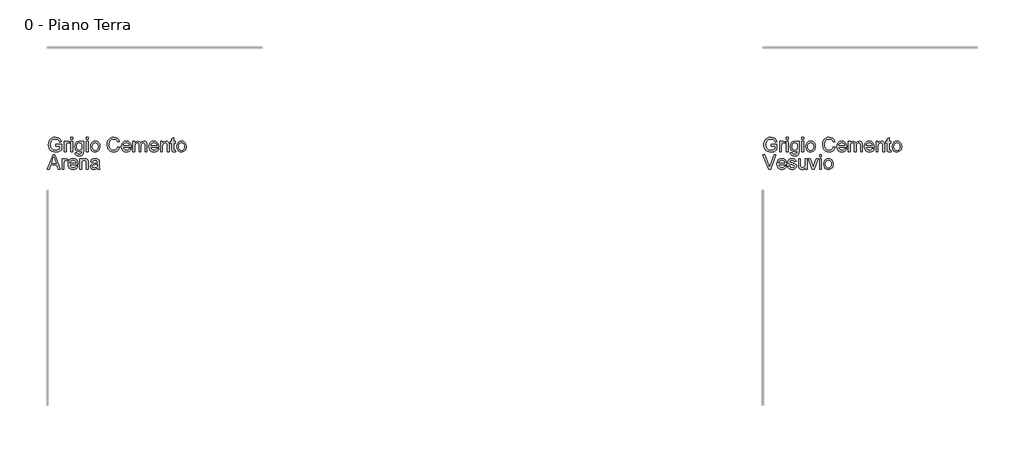
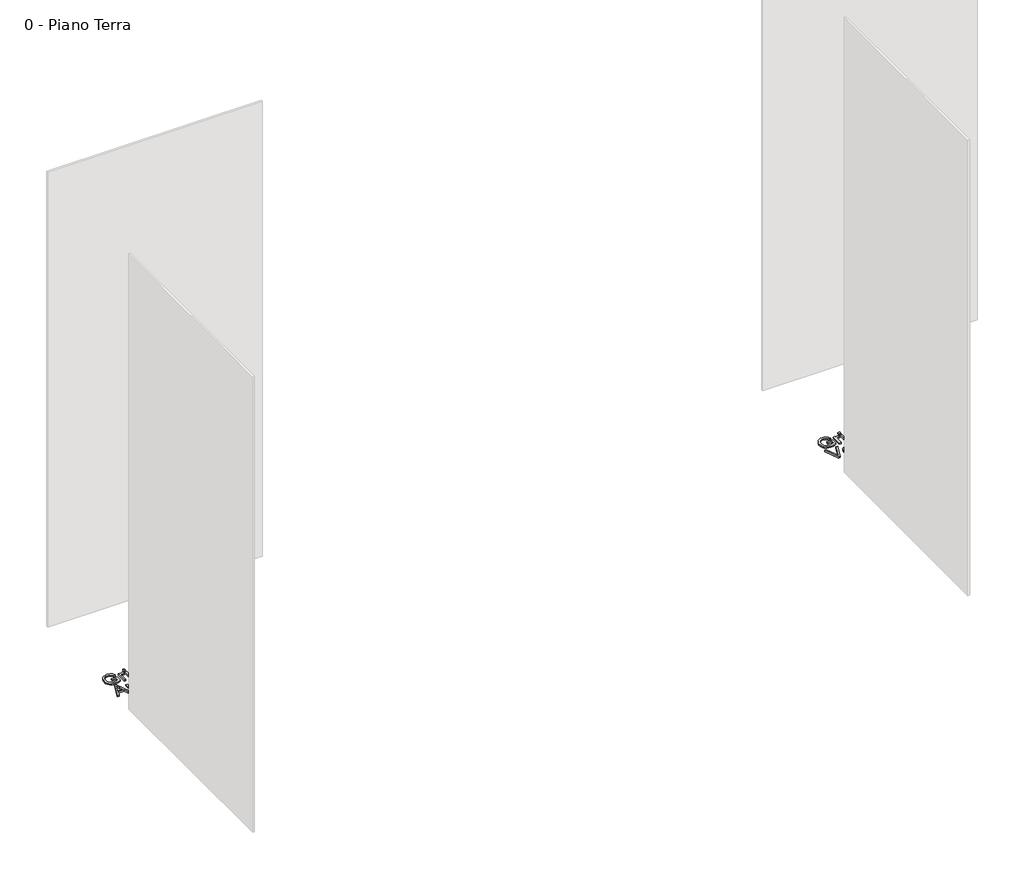
# One storey, part 4 of 35: 2 proxies.
"""IFC4 building model written with IfcOpenShell, lengths in millimetres."""

from ifc_helpers import new_model, si_unit, origin, origin_with_axes, place, context, project, spatial, polyline, outline, extrude, element, save

model = new_model("IFC4")

# Units and contexts
model_context = context("Model", 3, world=origin())
ifc_project = project(units=[si_unit("LENGTHUNIT", "METRE", prefix="MILLI")], contexts=[model_context])

# Site, building, storey
site = spatial("IfcSite", under=ifc_project)
building = spatial("IfcBuilding", under=site)
storey = spatial("IfcBuildingStorey", under=building, Name="0 - Piano Terra", Elevation=0.0)

# Proxies
placement = place(None, origin())
element("IfcBuildingElementProxy", 1, Name="Testo modello 1", ObjectType="Testo modello 1", at=placement, inside=storey, context=model_context, shape_type="SweptSolid", body=[
    extrude(outline(polyline([(-7221.1818555, -60234.518489), (-7221.1818555, -60221.9614502), (-7180.3714795, -60221.9614502), (-7180.3714795, -60259.5099392), (-7200.5191501, -60271.3557394), (-7221.8195177, -60275.328865), (-7235.9063324, -60273.7500381), (-7248.6381151, -60269.0135574), (-7259.2147225, -60261.2849698), (-7266.8360111, -60250.7298223), (-7271.4437331, -60238.0685503), (-7272.9796405, -60224.0215894), (-7271.4498645, -60209.873461), (-7266.8605366, -60196.7124826), (-7259.4017292, -60185.6729571), (-7249.2635145, -60177.8891872), (-7236.9149422, -60173.2722682), (-7222.8250618, -60171.7332952), (-7203.1801632, -60175.3017505), (-7189.4091139, -60185.2345644), (-7181.8184821, -60201.8505678), (-7193.3945022, -60205.1124549), (-7199.1211986, -60193.4996465), (-7208.9068596, -60186.8041942), (-7223.0212655, -60184.2903339), (-7239.0977087, -60187.000398), (-7250.0360667, -60194.1127832), (-7256.4985271, -60203.7880797), (-7260.4226017, -60223.5065546), (-7255.7014494, -60245.3955333), (-7241.9671883, -60258.4921324), (-7222.8250618, -60262.7718262), (-7205.6449726, -60259.5467274), (-7192.9285183, -60252.6673341), (-7192.9285183, -60234.518489), (-7221.1818555, -60234.518489)])), origin_with_axes(), (0.0, 0.0, 1.0), 10.0),
    extrude(outline(polyline([(-7161.5359214, -60273.7592352), (-7161.5359214, -60199.9866324), (-7150.5485125, -60199.9866324), (-7150.5485125, -60210.9004649), (-7142.7494142, -60200.8450237), (-7134.9012649, -60198.4170025), (-7122.2951752, -60202.2920262), (-7126.48903, -60213.5492153), (-7135.3181979, -60210.9740413), (-7142.4183204, -60213.4511134), (-7146.9432689, -60220.318244), (-7148.9788826, -60234.9844729), (-7148.9788826, -60273.7592352), (-7161.5359214, -60273.7592352)])), origin_with_axes(), (0.0, 0.0, 1.0), 10.0),
    extrude(outline(polyline([(-7114.447026, -60185.8599638), (-7114.447026, -60173.302925), (-7101.8899872, -60173.302925), (-7101.8899872, -60185.8599638), (-7114.447026, -60185.8599638)])), origin_with_axes(), (0.0, 0.0, 1.0), 10.0),
    extrude(outline(polyline([(-7114.447026, -60273.7592352), (-7114.447026, -60199.9866324), (-7101.8899872, -60199.9866324), (-7101.8899872, -60273.7592352), (-7114.447026, -60273.7592352)])), origin_with_axes(), (0.0, 0.0, 1.0), 10.0),
    extrude(outline(polyline([(-7086.1936888, -60280.0377545), (-7073.63665, -60281.6073844), (-7069.5654226, -60288.2292603), (-7057.3762658, -60291.0251635), (-7044.5249215, -60287.8613783), (-7038.3935549, -60278.9831595), (-7037.5351635, -60264.3414561), (-7046.3765942, -60271.4047904), (-7057.1555366, -60273.7592352), (-7070.1019172, -60271.0185143), (-7079.7557539, -60262.7963517), (-7085.7614274, -60250.742085), (-7087.7633186, -60236.5050518), (-7084.1703378, -60217.0440942), (-7073.7715401, -60203.2730449), (-7057.7686733, -60198.4170025), (-7046.5666665, -60201.1638548), (-7037.5351635, -60209.4044115), (-7037.5351635, -60199.9866324), (-7024.9781248, -60199.9866324), (-7024.9781248, -60263.6792685), (-7028.4116901, -60288.0698448), (-7039.2887344, -60299.4128729), (-7057.6215205, -60303.5822022), (-7069.3048395, -60302.1137399), (-7078.5049551, -60297.708353), (-7084.4063954, -60290.3537788), (-7086.1936888, -60280.0377545)]), holes=[polyline([(-7075.2062799, -60235.6466605), (-7073.8665763, -60247.1644326), (-7069.8474655, -60255.0830925), (-7063.8050037, -60259.6724204), (-7056.3952472, -60261.2021964), (-7049.0406729, -60259.6816175), (-7042.9675543, -60255.1198807), (-7038.8932612, -60247.3023883), (-7037.5351635, -60236.0145424), (-7038.9331151, -60225.1283011), (-7043.1269699, -60217.2893489), (-7049.2889933, -60212.5528682), (-7056.5914509, -60210.9740413), (-7063.7620841, -60212.5283427), (-7069.7738891, -60217.191247), (-7073.8481822, -60224.9137032), (-7075.2062799, -60235.6466605)])]), origin_with_axes(), (0.0, 0.0, 1.0), 10.0),
    extrude(outline(polyline([(-7006.1425666, -60185.8599638), (-7006.1425666, -60173.302925), (-6993.5855279, -60173.302925), (-6993.5855279, -60185.8599638), (-7006.1425666, -60185.8599638)])), origin_with_axes(), (0.0, 0.0, 1.0), 10.0),
    extrude(outline(polyline([(-7006.1425666, -60273.7592352), (-7006.1425666, -60199.9866324), (-6993.5855279, -60199.9866324), (-6993.5855279, -60273.7592352), (-7006.1425666, -60273.7592352)])), origin_with_axes(), (0.0, 0.0, 1.0), 10.0),
    extrude(outline(polyline([(-6977.8892294, -60236.8729338), (-6975.173034, -60219.0858393), (-6967.0244478, -60206.5839828), (-6956.9567439, -60200.4587476), (-6944.9024772, -60198.4170025), (-6931.710842, -60200.9032717), (-6921.1740885, -60208.3620791), (-6914.267104, -60220.2048137), (-6911.9647759, -60235.8428642), (-6916.0360033, -60258.185564), (-6927.8940663, -60270.8284419), (-6944.9024772, -60275.328865), (-6958.2535279, -60272.8517929), (-6968.7780187, -60265.4205766), (-6975.6114267, -60253.3295217), (-6977.8892294, -60236.8729338)]), holes=[polyline([(-6965.3321906, -60236.8484083), (-6963.8790567, -60248.2128963), (-6959.5196551, -60256.3093658), (-6952.9590929, -60261.1562111), (-6944.9024772, -60262.7718262), (-6936.8826497, -60261.1470141), (-6930.3343502, -60256.2725776), (-6925.9749485, -60248.0688092), (-6924.5218146, -60236.4560008), (-6925.9841456, -60225.4226067), (-6930.3711384, -60217.4365017), (-6936.9286349, -60212.5896564), (-6944.9024772, -60210.9740413), (-6952.9590929, -60212.583525), (-6959.5196551, -60217.4119762), (-6963.8790567, -60225.4900517), (-6965.3321906, -60236.8484083)])]), origin_with_axes(), (0.0, 0.0, 1.0), 10.0),
    extrude(outline(polyline([(-6786.3943882, -60238.0501562), (-6773.8373494, -60241.2875177), (-6779.6314908, -60255.9200241), (-6788.7243075, -60266.6100617), (-6800.6682096, -60273.1491642), (-6815.0156074, -60275.328865), (-6829.5806687, -60273.6795274), (-6841.1474918, -60268.7315146), (-6850.0134479, -60260.6565048), (-6856.4759083, -60249.6261763), (-6861.7366208, -60222.7707906), (-6860.2497644, -60208.1229558), (-6855.7891952, -60195.4739466), (-6848.5879051, -60185.2253673), (-6838.8788862, -60177.7788226), (-6827.3641797, -60173.244677), (-6814.7458273, -60171.7332952), (-6800.9778436, -60173.6892011), (-6789.5949615, -60179.5569189), (-6780.9528003, -60188.974698), (-6775.4069793, -60201.5807877), (-6787.964018, -60204.5728946), (-6798.2647139, -60189.1341135), (-6815.2363366, -60184.2903339), (-6834.8812351, -60189.6614111), (-6845.9790087, -60204.0823853), (-6849.179582, -60222.7462652), (-6845.3903975, -60244.3777265), (-6833.5936482, -60258.1978268), (-6816.2664062, -60262.7718262), (-6805.784835, -60261.2144591), (-6797.0507033, -60256.5423578), (-6790.4564185, -60248.8045731), (-6786.3943882, -60238.0501562)])), origin_with_axes(), (0.0, 0.0, 1.0), 10.0),
    extrude(outline(polyline([(-6706.4904188, -60251.7844173), (-6694.1786347, -60253.3540472), (-6698.6146784, -60262.6308048), (-6705.6933412, -60269.5653804), (-6715.2552074, -60273.8879938), (-6727.1408615, -60275.328865), (-6741.8745354, -60272.8425958), (-6753.2114322, -60265.3837884), (-6760.4403134, -60253.4368206), (-6762.8499405, -60237.4860704), (-6760.4157879, -60220.9988257), (-6753.1133303, -60208.6686475), (-6741.9297177, -60200.9799138), (-6727.8521, -60198.4170025), (-6714.212875, -60200.9737824), (-6703.3143709, -60208.644122), (-6696.1682632, -60220.9497747), (-6693.7862273, -60237.412494), (-6693.8598037, -60240.7970084), (-6750.2929017, -60240.7970084), (-6748.1193323, -60250.1963934), (-6743.0701519, -60257.1064435), (-6735.7830227, -60261.3554805), (-6726.8956068, -60262.7718262), (-6714.5838227, -60260.1476013), (-6706.4904188, -60251.7844173)]), holes=[polyline([(-6750.2929017, -60228.2399696), (-6706.343266, -60228.2399696), (-6711.3709866, -60216.8601532), (-6718.6918383, -60212.4455693), (-6727.9011509, -60210.9740413), (-6743.3644575, -60215.6706681), (-6748.2296969, -60221.1613069), (-6750.2929017, -60228.2399696)])]), origin_with_axes(), (0.0, 0.0, 1.0), 10.0),
    extrude(outline(polyline([(-6681.2291885, -60273.7592352), (-6681.2291885, -60199.9866324), (-6668.6721497, -60199.9866324), (-6668.6721497, -60212.1267382), (-6660.0391856, -60202.1816616), (-6647.7519269, -60198.4170025), (-6635.1703627, -60202.255238), (-6628.2541812, -60213.009655), (-6618.4562574, -60202.0651657), (-6606.0831596, -60198.4170025), (-6596.6439207, -60199.9345158), (-6589.6633599, -60204.4870555), (-6585.3499435, -60212.1972489), (-6583.912138, -60223.1877235), (-6583.912138, -60273.7592352), (-6596.4691768, -60273.7592352), (-6596.4691768, -60228.5833261), (-6597.6341365, -60218.0986893), (-6601.8525167, -60212.9360786), (-6609.0262156, -60210.9740413), (-6621.3747879, -60216.0017619), (-6625.0628049, -60222.5439301), (-6626.2921439, -60232.1149933), (-6626.2921439, -60273.7592352), (-6638.8491826, -60273.7592352), (-6638.8491826, -60227.1853746), (-6641.7554504, -60215.0207433), (-6651.2835941, -60210.9740413), (-6660.5787458, -60213.6718426), (-6666.7591633, -60221.5690428), (-6668.6721497, -60236.5541027), (-6668.6721497, -60273.7592352), (-6681.2291885, -60273.7592352)])), origin_with_axes(), (0.0, 0.0, 1.0), 10.0),
    extrude(outline(polyline([(-6513.4259478, -60251.7844173), (-6501.1141636, -60253.3540472), (-6505.5502074, -60262.6308048), (-6512.6288701, -60269.5653804), (-6522.1907363, -60273.8879938), (-6534.0763904, -60275.328865), (-6548.8100643, -60272.8425958), (-6560.1469611, -60265.3837884), (-6567.3758423, -60253.4368206), (-6569.7854694, -60237.4860704), (-6567.3513169, -60220.9988257), (-6560.0488593, -60208.6686475), (-6548.8652466, -60200.9799138), (-6534.7876289, -60198.4170025), (-6521.148404, -60200.9737824), (-6510.2498999, -60208.644122), (-6503.1037921, -60220.9497747), (-6500.7217562, -60237.412494), (-6500.7953326, -60240.7970084), (-6557.2284306, -60240.7970084), (-6555.0548612, -60250.1963934), (-6550.0056808, -60257.1064435), (-6542.7185516, -60261.3554805), (-6533.8311358, -60262.7718262), (-6521.5193516, -60260.1476013), (-6513.4259478, -60251.7844173)]), holes=[polyline([(-6557.2284306, -60228.2399696), (-6513.278795, -60228.2399696), (-6518.3065156, -60216.8601532), (-6525.6273673, -60212.4455693), (-6534.8366799, -60210.9740413), (-6550.2999864, -60215.6706681), (-6555.1652258, -60221.1613069), (-6557.2284306, -60228.2399696)])]), origin_with_axes(), (0.0, 0.0, 1.0), 10.0),
    extrude(outline(polyline([(-6488.1647174, -60273.7592352), (-6488.1647174, -60199.9866324), (-6475.6076787, -60199.9866324), (-6475.6076787, -60210.2873283), (-6466.0059586, -60201.384584), (-6452.8970968, -60198.4170025), (-6441.0390338, -60200.8082355), (-6432.9456299, -60207.0867549), (-6429.1809709, -60216.320593), (-6428.5187833, -60228.4606988), (-6428.5187833, -60273.7592352), (-6441.075822, -60273.7592352), (-6441.075822, -60230.152956), (-6442.5228246, -60219.0429197), (-6447.6363843, -60213.1690705), (-6456.2570857, -60210.9740413), (-6469.8809823, -60215.90366), (-6474.1760046, -60223.0467021), (-6475.6076787, -60234.6165909), (-6475.6076787, -60273.7592352), (-6488.1647174, -60273.7592352)])), origin_with_axes(), (0.0, 0.0, 1.0), 10.0),
    extrude(outline(polyline([(-6384.5691476, -60263.286861), (-6382.9995177, -60274.1271171), (-6392.3927713, -60275.328865), (-6402.9141964, -60273.2442004), (-6408.1626462, -60267.7750214), (-6409.6832251, -60253.5257254), (-6409.6832251, -60212.5436712), (-6419.1010042, -60212.5436712), (-6419.1010042, -60199.9866324), (-6409.6832251, -60199.9866324), (-6409.6832251, -60182.0585165), (-6397.1261863, -60174.6763511), (-6397.1261863, -60199.9866324), (-6384.5691476, -60199.9866324), (-6384.5691476, -60212.5436712), (-6397.1261863, -60212.5436712), (-6397.1261863, -60253.1578434), (-6396.4639988, -60259.6325665), (-6394.3180204, -60261.9256976), (-6390.0383266, -60262.7718262), (-6384.5691476, -60263.286861)])), origin_with_axes(), (0.0, 0.0, 1.0), 10.0),
    extrude(outline(polyline([(-6375.1513685, -60236.8729338), (-6372.4351731, -60219.0858393), (-6364.2865869, -60206.5839828), (-6354.218883, -60200.4587476), (-6342.1646163, -60198.4170025), (-6328.9729811, -60200.9032717), (-6318.4362276, -60208.3620791), (-6311.5292431, -60220.2048137), (-6309.226915, -60235.8428642), (-6313.2981424, -60258.185564), (-6325.1562054, -60270.8284419), (-6342.1646163, -60275.328865), (-6355.515667, -60272.8517929), (-6366.0401578, -60265.4205766), (-6372.8735658, -60253.3295217), (-6375.1513685, -60236.8729338)]), holes=[polyline([(-6362.5943297, -60236.8484083), (-6361.1411959, -60248.2128963), (-6356.7817942, -60256.3093658), (-6350.221232, -60261.1562111), (-6342.1646163, -60262.7718262), (-6334.1447888, -60261.1470141), (-6327.5964893, -60256.2725776), (-6323.2370876, -60248.0688092), (-6321.7839537, -60236.4560008), (-6323.2462847, -60225.4226067), (-6327.6332775, -60217.4365017), (-6334.190774, -60212.5896564), (-6342.1646163, -60210.9740413), (-6350.221232, -60212.583525), (-6356.7817942, -60217.4119762), (-6361.1411959, -60225.4900517), (-6362.5943297, -60236.8484083)])]), origin_with_axes(), (0.0, 0.0, 1.0), 10.0),
    extrude(outline(polyline([(-7238.5949366, -60395.734053), (-7278.5714468, -60295.2777428), (-7265.1314912, -60295.2777428), (-7238.3742074, -60367.652394), (-7232.9540794, -60383.9618292), (-7227.6075277, -60367.652394), (-7200.7766675, -60295.2777428), (-7187.336712, -60295.2777428), (-7225.620965, -60395.734053), (-7238.5949366, -60395.734053)])), origin_with_axes(), (0.0, 0.0, 1.0), 10.0),
    extrude(outline(polyline([(-7125.5815877, -60373.7592352), (-7113.2698036, -60375.328865), (-7117.7058473, -60384.6056226), (-7124.7845101, -60391.5401983), (-7134.3463763, -60395.8628117), (-7146.2320304, -60397.3036828), (-7160.9657043, -60394.8174137), (-7172.3026011, -60387.3586062), (-7179.5314823, -60375.4116384), (-7181.9411094, -60359.4608883), (-7179.5069569, -60342.9736435), (-7172.2044993, -60330.6434653), (-7161.0208866, -60322.9547316), (-7146.9432689, -60320.3918204), (-7133.3040439, -60322.9486003), (-7122.4055398, -60330.6189399), (-7115.2594321, -60342.9245926), (-7112.8773962, -60359.3873119), (-7112.9509726, -60362.7718262), (-7169.3840706, -60362.7718262), (-7167.2105012, -60372.1712112), (-7162.1613208, -60379.0812613), (-7154.8741916, -60383.3302984), (-7145.9867757, -60384.7466441), (-7133.6749916, -60382.1224192), (-7125.5815877, -60373.7592352)]), holes=[polyline([(-7169.3840706, -60350.2147875), (-7125.4344349, -60350.2147875), (-7130.4621555, -60338.8349711), (-7137.7830072, -60334.4203871), (-7146.9923198, -60332.9488592), (-7162.4556264, -60337.645486), (-7167.3208658, -60343.1361247), (-7169.3840706, -60350.2147875)])]), origin_with_axes(), (0.0, 0.0, 1.0), 10.0),
    extrude(outline(polyline([(-7105.0292469, -60373.7592352), (-7092.4722082, -60372.1896053), (-7086.6596726, -60381.5092825), (-7073.3423444, -60384.7466441), (-7060.540051, -60381.7790626), (-7056.3707217, -60374.8138302), (-7060.5645764, -60369.1729729), (-7073.4894972, -60365.5922549), (-7092.3986318, -60359.4486255), (-7100.6514512, -60352.2749266), (-7103.4596171, -60342.145909), (-7101.2032742, -60332.7894436), (-7095.0473821, -60325.6402702), (-7087.0643428, -60321.924662), (-7076.2608749, -60320.3918204), (-7060.9815094, -60322.8566298), (-7051.2694247, -60329.5275566), (-7046.9529426, -60340.7970084), (-7059.5099814, -60342.3666382), (-7064.2311337, -60335.438194), (-7075.2798563, -60332.9488592), (-7087.2973348, -60335.3278294), (-7090.9025783, -60340.8705848), (-7089.4065249, -60344.5248793), (-7084.7221608, -60347.296257), (-7073.9064301, -60349.9695328), (-7055.4755422, -60355.8801702), (-7046.9161544, -60362.5756225), (-7043.8136829, -60373.489455), (-7047.4557147, -60385.5069335), (-7057.964877, -60394.2257368), (-7073.5140227, -60397.3036828), (-7086.1752947, -60395.8198921), (-7095.4152641, -60391.36852), (-7101.5834189, -60383.9986174), (-7105.0292469, -60373.7592352)])), origin_with_axes(), (0.0, 0.0, 1.0), 10.0),
    extrude(outline(polyline([(-6982.5981189, -60395.734053), (-6982.5981189, -60383.0543869), (-6992.4328309, -60393.7413589), (-7005.2596498, -60397.3036828), (-7017.0686619, -60394.8020853), (-7025.2111167, -60388.5235659), (-7028.9512503, -60379.2774651), (-7029.6870143, -60367.6033431), (-7029.6870143, -60321.9614502), (-7017.1299756, -60321.9614502), (-7017.1299756, -60361.6927057), (-7016.3696861, -60374.4949991), (-7011.4032792, -60382.0120546), (-7002.0468137, -60384.7466441), (-6991.5621769, -60381.9507409), (-6984.6337326, -60374.3355836), (-6982.5981189, -60360.3438051), (-6982.5981189, -60321.9614502), (-6970.0410802, -60321.9614502), (-6970.0410802, -60395.734053), (-6982.5981189, -60395.734053)])), origin_with_axes(), (0.0, 0.0, 1.0), 10.0),
    extrude(outline(polyline([(-6934.6753577, -60395.734053), (-6960.6233011, -60321.9614502), (-6947.3304983, -60321.9614502), (-6931.6096744, -60366.1563406), (-6926.8762594, -60381.0187732), (-6922.2409463, -60366.9902064), (-6906.4220205, -60321.9614502), (-6893.1292177, -60321.9614502), (-6918.75833, -60395.734053), (-6934.6753577, -60395.734053)])), origin_with_axes(), (0.0, 0.0, 1.0), 10.0),
    extrude(outline(polyline([(-6882.1418088, -60395.734053), (-6882.1418088, -60321.9614502), (-6869.58477, -60321.9614502), (-6869.58477, -60395.734053), (-6882.1418088, -60395.734053)])), origin_with_axes(), (0.0, 0.0, 1.0), 10.0),
    extrude(outline(polyline([(-6882.1418088, -60307.8347816), (-6882.1418088, -60295.2777428), (-6869.58477, -60295.2777428), (-6869.58477, -60307.8347816), (-6882.1418088, -60307.8347816)])), origin_with_axes(), (0.0, 0.0, 1.0), 10.0),
    extrude(outline(polyline([(-6853.8884716, -60358.8477516), (-6851.1722762, -60341.0606571), (-6843.02369, -60328.5588007), (-6832.955986, -60322.4335655), (-6820.9017193, -60320.3918204), (-6807.7100841, -60322.8780895), (-6797.1733306, -60330.336897), (-6790.2663462, -60342.1796315), (-6787.964018, -60357.817682), (-6792.0352454, -60380.1603819), (-6803.8933084, -60392.8032598), (-6820.9017193, -60397.3036828), (-6834.2527701, -60394.8266107), (-6844.7772608, -60387.3953944), (-6851.6106689, -60375.3043395), (-6853.8884716, -60358.8477516)]), holes=[polyline([(-6841.3314328, -60358.8232261), (-6839.8782989, -60370.1877141), (-6835.5188973, -60378.2841837), (-6828.958335, -60383.131029), (-6820.9017193, -60384.7466441), (-6812.8818918, -60383.1218319), (-6806.3335923, -60378.2473955), (-6801.9741907, -60370.043627), (-6800.5210568, -60358.4308187), (-6801.9833877, -60347.3974245), (-6806.3703805, -60339.4113195), (-6812.9278771, -60334.5644742), (-6820.9017193, -60332.9488592), (-6828.958335, -60334.5583429), (-6835.5188973, -60339.3867941), (-6839.8782989, -60347.4648695), (-6841.3314328, -60358.8232261)])]), origin_with_axes(), (0.0, 0.0, 1.0), 10.0),
])
element("IfcBuildingElementProxy", 2, Name="Testo modello 1", ObjectType="Testo modello 1", at=placement, inside=storey, context=model_context, shape_type="SweptSolid", body=[
    extrude(outline(polyline([(-12221.1818555, -60234.518489), (-12221.1818555, -60221.9614502), (-12180.3714795, -60221.9614502), (-12180.3714795, -60259.5099392), (-12200.5191501, -60271.3557394), (-12221.8195177, -60275.328865), (-12235.9063324, -60273.7500381), (-12248.6381151, -60269.0135574), (-12259.2147225, -60261.2849698), (-12266.8360111, -60250.7298223), (-12271.4437331, -60238.0685503), (-12272.9796405, -60224.0215894), (-12271.4498645, -60209.873461), (-12266.8605366, -60196.7124826), (-12259.4017292, -60185.6729571), (-12249.2635145, -60177.8891872), (-12236.9149422, -60173.2722682), (-12222.8250618, -60171.7332952), (-12203.1801632, -60175.3017505), (-12189.4091139, -60185.2345644), (-12181.8184821, -60201.8505678), (-12193.3945022, -60205.1124549), (-12199.1211986, -60193.4996465), (-12208.9068596, -60186.8041942), (-12223.0212655, -60184.2903339), (-12239.0977087, -60187.000398), (-12250.0360667, -60194.1127832), (-12256.4985271, -60203.7880797), (-12260.4226017, -60223.5065546), (-12255.7014494, -60245.3955333), (-12241.9671883, -60258.4921324), (-12222.8250618, -60262.7718262), (-12205.6449726, -60259.5467274), (-12192.9285183, -60252.6673341), (-12192.9285183, -60234.518489), (-12221.1818555, -60234.518489)])), origin_with_axes(), (0.0, 0.0, 1.0), 10.0),
    extrude(outline(polyline([(-12161.5359214, -60273.7592352), (-12161.5359214, -60199.9866324), (-12150.5485125, -60199.9866324), (-12150.5485125, -60210.9004649), (-12142.7494142, -60200.8450237), (-12134.9012649, -60198.4170025), (-12122.2951752, -60202.2920262), (-12126.48903, -60213.5492153), (-12135.3181979, -60210.9740413), (-12142.4183204, -60213.4511134), (-12146.9432689, -60220.318244), (-12148.9788826, -60234.9844729), (-12148.9788826, -60273.7592352), (-12161.5359214, -60273.7592352)])), origin_with_axes(), (0.0, 0.0, 1.0), 10.0),
    extrude(outline(polyline([(-12114.447026, -60185.8599638), (-12114.447026, -60173.302925), (-12101.8899872, -60173.302925), (-12101.8899872, -60185.8599638), (-12114.447026, -60185.8599638)])), origin_with_axes(), (0.0, 0.0, 1.0), 10.0),
    extrude(outline(polyline([(-12114.447026, -60273.7592352), (-12114.447026, -60199.9866324), (-12101.8899872, -60199.9866324), (-12101.8899872, -60273.7592352), (-12114.447026, -60273.7592352)])), origin_with_axes(), (0.0, 0.0, 1.0), 10.0),
    extrude(outline(polyline([(-12086.1936888, -60280.0377545), (-12073.63665, -60281.6073844), (-12069.5654226, -60288.2292603), (-12057.3762658, -60291.0251635), (-12044.5249215, -60287.8613783), (-12038.3935549, -60278.9831595), (-12037.5351635, -60264.3414561), (-12046.3765942, -60271.4047904), (-12057.1555366, -60273.7592352), (-12070.1019172, -60271.0185143), (-12079.7557539, -60262.7963517), (-12085.7614274, -60250.742085), (-12087.7633186, -60236.5050518), (-12084.1703378, -60217.0440942), (-12073.7715401, -60203.2730449), (-12057.7686733, -60198.4170025), (-12046.5666665, -60201.1638548), (-12037.5351635, -60209.4044115), (-12037.5351635, -60199.9866324), (-12024.9781248, -60199.9866324), (-12024.9781248, -60263.6792685), (-12028.4116901, -60288.0698448), (-12039.2887344, -60299.4128729), (-12057.6215205, -60303.5822022), (-12069.3048395, -60302.1137399), (-12078.5049551, -60297.708353), (-12084.4063954, -60290.3537788), (-12086.1936888, -60280.0377545)]), holes=[polyline([(-12075.2062799, -60235.6466605), (-12073.8665763, -60247.1644326), (-12069.8474655, -60255.0830925), (-12063.8050037, -60259.6724204), (-12056.3952472, -60261.2021964), (-12049.0406729, -60259.6816175), (-12042.9675543, -60255.1198807), (-12038.8932612, -60247.3023883), (-12037.5351635, -60236.0145424), (-12038.9331151, -60225.1283011), (-12043.1269699, -60217.2893489), (-12049.2889933, -60212.5528682), (-12056.5914509, -60210.9740413), (-12063.7620841, -60212.5283427), (-12069.7738891, -60217.191247), (-12073.8481822, -60224.9137032), (-12075.2062799, -60235.6466605)])]), origin_with_axes(), (0.0, 0.0, 1.0), 10.0),
    extrude(outline(polyline([(-12006.1425666, -60185.8599638), (-12006.1425666, -60173.302925), (-11993.5855279, -60173.302925), (-11993.5855279, -60185.8599638), (-12006.1425666, -60185.8599638)])), origin_with_axes(), (0.0, 0.0, 1.0), 10.0),
    extrude(outline(polyline([(-12006.1425666, -60273.7592352), (-12006.1425666, -60199.9866324), (-11993.5855279, -60199.9866324), (-11993.5855279, -60273.7592352), (-12006.1425666, -60273.7592352)])), origin_with_axes(), (0.0, 0.0, 1.0), 10.0),
    extrude(outline(polyline([(-11977.8892294, -60236.8729338), (-11975.173034, -60219.0858393), (-11967.0244478, -60206.5839828), (-11956.9567439, -60200.4587476), (-11944.9024772, -60198.4170025), (-11931.710842, -60200.9032717), (-11921.1740885, -60208.3620791), (-11914.267104, -60220.2048137), (-11911.9647759, -60235.8428642), (-11916.0360033, -60258.185564), (-11927.8940663, -60270.8284419), (-11944.9024772, -60275.328865), (-11958.2535279, -60272.8517929), (-11968.7780187, -60265.4205766), (-11975.6114267, -60253.3295217), (-11977.8892294, -60236.8729338)]), holes=[polyline([(-11965.3321906, -60236.8484083), (-11963.8790567, -60248.2128963), (-11959.5196551, -60256.3093658), (-11952.9590929, -60261.1562111), (-11944.9024772, -60262.7718262), (-11936.8826497, -60261.1470141), (-11930.3343502, -60256.2725776), (-11925.9749485, -60248.0688092), (-11924.5218146, -60236.4560008), (-11925.9841456, -60225.4226067), (-11930.3711384, -60217.4365017), (-11936.9286349, -60212.5896564), (-11944.9024772, -60210.9740413), (-11952.9590929, -60212.583525), (-11959.5196551, -60217.4119762), (-11963.8790567, -60225.4900517), (-11965.3321906, -60236.8484083)])]), origin_with_axes(), (0.0, 0.0, 1.0), 10.0),
    extrude(outline(polyline([(-11786.3943882, -60238.0501562), (-11773.8373494, -60241.2875177), (-11779.6314908, -60255.9200241), (-11788.7243075, -60266.6100617), (-11800.6682096, -60273.1491642), (-11815.0156074, -60275.328865), (-11829.5806687, -60273.6795274), (-11841.1474918, -60268.7315146), (-11850.0134479, -60260.6565048), (-11856.4759083, -60249.6261763), (-11861.7366208, -60222.7707906), (-11860.2497644, -60208.1229558), (-11855.7891952, -60195.4739466), (-11848.5879051, -60185.2253673), (-11838.8788862, -60177.7788226), (-11827.3641797, -60173.244677), (-11814.7458273, -60171.7332952), (-11800.9778436, -60173.6892011), (-11789.5949615, -60179.5569189), (-11780.9528003, -60188.974698), (-11775.4069793, -60201.5807877), (-11787.964018, -60204.5728946), (-11798.2647139, -60189.1341135), (-11815.2363366, -60184.2903339), (-11834.8812351, -60189.6614111), (-11845.9790087, -60204.0823853), (-11849.179582, -60222.7462652), (-11845.3903975, -60244.3777265), (-11833.5936482, -60258.1978268), (-11816.2664062, -60262.7718262), (-11805.784835, -60261.2144591), (-11797.0507033, -60256.5423578), (-11790.4564185, -60248.8045731), (-11786.3943882, -60238.0501562)])), origin_with_axes(), (0.0, 0.0, 1.0), 10.0),
    extrude(outline(polyline([(-11706.4904188, -60251.7844173), (-11694.1786347, -60253.3540472), (-11698.6146784, -60262.6308048), (-11705.6933412, -60269.5653804), (-11715.2552074, -60273.8879938), (-11727.1408615, -60275.328865), (-11741.8745354, -60272.8425958), (-11753.2114322, -60265.3837884), (-11760.4403134, -60253.4368206), (-11762.8499405, -60237.4860704), (-11760.4157879, -60220.9988257), (-11753.1133303, -60208.6686475), (-11741.9297177, -60200.9799138), (-11727.8521, -60198.4170025), (-11714.212875, -60200.9737824), (-11703.3143709, -60208.644122), (-11696.1682632, -60220.9497747), (-11693.7862273, -60237.412494), (-11693.8598037, -60240.7970084), (-11750.2929017, -60240.7970084), (-11748.1193323, -60250.1963934), (-11743.0701519, -60257.1064435), (-11735.7830227, -60261.3554805), (-11726.8956068, -60262.7718262), (-11714.5838227, -60260.1476013), (-11706.4904188, -60251.7844173)]), holes=[polyline([(-11750.2929017, -60228.2399696), (-11706.343266, -60228.2399696), (-11711.3709866, -60216.8601532), (-11718.6918383, -60212.4455693), (-11727.9011509, -60210.9740413), (-11743.3644575, -60215.6706681), (-11748.2296969, -60221.1613069), (-11750.2929017, -60228.2399696)])]), origin_with_axes(), (0.0, 0.0, 1.0), 10.0),
    extrude(outline(polyline([(-11681.2291885, -60273.7592352), (-11681.2291885, -60199.9866324), (-11668.6721497, -60199.9866324), (-11668.6721497, -60212.1267382), (-11660.0391856, -60202.1816616), (-11647.7519269, -60198.4170025), (-11635.1703627, -60202.255238), (-11628.2541812, -60213.009655), (-11618.4562574, -60202.0651657), (-11606.0831596, -60198.4170025), (-11596.6439207, -60199.9345158), (-11589.6633599, -60204.4870555), (-11585.3499435, -60212.1972489), (-11583.912138, -60223.1877235), (-11583.912138, -60273.7592352), (-11596.4691768, -60273.7592352), (-11596.4691768, -60228.5833261), (-11597.6341365, -60218.0986893), (-11601.8525167, -60212.9360786), (-11609.0262156, -60210.9740413), (-11621.3747879, -60216.0017619), (-11625.0628049, -60222.5439301), (-11626.2921439, -60232.1149933), (-11626.2921439, -60273.7592352), (-11638.8491826, -60273.7592352), (-11638.8491826, -60227.1853746), (-11641.7554504, -60215.0207433), (-11651.2835941, -60210.9740413), (-11660.5787458, -60213.6718426), (-11666.7591633, -60221.5690428), (-11668.6721497, -60236.5541027), (-11668.6721497, -60273.7592352), (-11681.2291885, -60273.7592352)])), origin_with_axes(), (0.0, 0.0, 1.0), 10.0),
    extrude(outline(polyline([(-11513.4259478, -60251.7844173), (-11501.1141636, -60253.3540472), (-11505.5502074, -60262.6308048), (-11512.6288701, -60269.5653804), (-11522.1907363, -60273.8879938), (-11534.0763904, -60275.328865), (-11548.8100643, -60272.8425958), (-11560.1469611, -60265.3837884), (-11567.3758423, -60253.4368206), (-11569.7854694, -60237.4860704), (-11567.3513169, -60220.9988257), (-11560.0488593, -60208.6686475), (-11548.8652466, -60200.9799138), (-11534.7876289, -60198.4170025), (-11521.148404, -60200.9737824), (-11510.2498999, -60208.644122), (-11503.1037921, -60220.9497747), (-11500.7217562, -60237.412494), (-11500.7953326, -60240.7970084), (-11557.2284306, -60240.7970084), (-11555.0548612, -60250.1963934), (-11550.0056808, -60257.1064435), (-11542.7185516, -60261.3554805), (-11533.8311358, -60262.7718262), (-11521.5193516, -60260.1476013), (-11513.4259478, -60251.7844173)]), holes=[polyline([(-11557.2284306, -60228.2399696), (-11513.278795, -60228.2399696), (-11518.3065156, -60216.8601532), (-11525.6273673, -60212.4455693), (-11534.8366799, -60210.9740413), (-11550.2999864, -60215.6706681), (-11555.1652258, -60221.1613069), (-11557.2284306, -60228.2399696)])]), origin_with_axes(), (0.0, 0.0, 1.0), 10.0),
    extrude(outline(polyline([(-11488.1647174, -60273.7592352), (-11488.1647174, -60199.9866324), (-11475.6076787, -60199.9866324), (-11475.6076787, -60210.2873283), (-11466.0059586, -60201.384584), (-11452.8970968, -60198.4170025), (-11441.0390338, -60200.8082355), (-11432.9456299, -60207.0867549), (-11429.1809709, -60216.320593), (-11428.5187833, -60228.4606988), (-11428.5187833, -60273.7592352), (-11441.075822, -60273.7592352), (-11441.075822, -60230.152956), (-11442.5228246, -60219.0429197), (-11447.6363843, -60213.1690705), (-11456.2570857, -60210.9740413), (-11469.8809823, -60215.90366), (-11474.1760046, -60223.0467021), (-11475.6076787, -60234.6165909), (-11475.6076787, -60273.7592352), (-11488.1647174, -60273.7592352)])), origin_with_axes(), (0.0, 0.0, 1.0), 10.0),
    extrude(outline(polyline([(-11384.5691476, -60263.286861), (-11382.9995177, -60274.1271171), (-11392.3927713, -60275.328865), (-11402.9141964, -60273.2442004), (-11408.1626462, -60267.7750214), (-11409.6832251, -60253.5257254), (-11409.6832251, -60212.5436712), (-11419.1010042, -60212.5436712), (-11419.1010042, -60199.9866324), (-11409.6832251, -60199.9866324), (-11409.6832251, -60182.0585165), (-11397.1261863, -60174.6763511), (-11397.1261863, -60199.9866324), (-11384.5691476, -60199.9866324), (-11384.5691476, -60212.5436712), (-11397.1261863, -60212.5436712), (-11397.1261863, -60253.1578434), (-11396.4639988, -60259.6325665), (-11394.3180204, -60261.9256976), (-11390.0383266, -60262.7718262), (-11384.5691476, -60263.286861)])), origin_with_axes(), (0.0, 0.0, 1.0), 10.0),
    extrude(outline(polyline([(-11375.1513685, -60236.8729338), (-11372.4351731, -60219.0858393), (-11364.2865869, -60206.5839828), (-11354.218883, -60200.4587476), (-11342.1646163, -60198.4170025), (-11328.9729811, -60200.9032717), (-11318.4362276, -60208.3620791), (-11311.5292431, -60220.2048137), (-11309.226915, -60235.8428642), (-11313.2981424, -60258.185564), (-11325.1562054, -60270.8284419), (-11342.1646163, -60275.328865), (-11355.515667, -60272.8517929), (-11366.0401578, -60265.4205766), (-11372.8735658, -60253.3295217), (-11375.1513685, -60236.8729338)]), holes=[polyline([(-11362.5943297, -60236.8484083), (-11361.1411959, -60248.2128963), (-11356.7817942, -60256.3093658), (-11350.221232, -60261.1562111), (-11342.1646163, -60262.7718262), (-11334.1447888, -60261.1470141), (-11327.5964893, -60256.2725776), (-11323.2370876, -60248.0688092), (-11321.7839537, -60236.4560008), (-11323.2462847, -60225.4226067), (-11327.6332775, -60217.4365017), (-11334.190774, -60212.5896564), (-11342.1646163, -60210.9740413), (-11350.221232, -60212.583525), (-11356.7817942, -60217.4119762), (-11361.1411959, -60225.4900517), (-11362.5943297, -60236.8484083)])]), origin_with_axes(), (0.0, 0.0, 1.0), 10.0),
    extrude(outline(polyline([(-12279.9693984, -60395.734053), (-12239.8702609, -60295.2777428), (-12229.1771576, -60295.2777428), (-12189.0780201, -60395.734053), (-12202.3462974, -60395.734053), (-12213.8487411, -60364.3414561), (-12255.2232028, -60364.3414561), (-12266.7011211, -60395.734053), (-12279.9693984, -60395.734053)]), holes=[polyline([(-12250.6124152, -60351.7844173), (-12218.4350033, -60351.7844173), (-12227.4849004, -60327.0872727), (-12234.5237092, -60307.8347816), (-12240.7777032, -60324.9290317), (-12250.6124152, -60351.7844173)])]), origin_with_axes(), (0.0, 0.0, 1.0), 10.0),
    extrude(outline(polyline([(-12177.2322199, -60395.734053), (-12177.2322199, -60321.9614502), (-12166.2448109, -60321.9614502), (-12166.2448109, -60332.8752828), (-12158.4457126, -60322.8198416), (-12150.5975634, -60320.3918204), (-12137.9914737, -60324.2668441), (-12142.1853284, -60335.5240331), (-12151.0144963, -60332.9488592), (-12158.1146188, -60335.4259313), (-12162.6395674, -60342.2930618), (-12164.6751811, -60356.9592907), (-12164.6751811, -60395.734053), (-12177.2322199, -60395.734053)])), origin_with_axes(), (0.0, 0.0, 1.0), 10.0),
    extrude(outline(polyline([(-12078.4926923, -60373.7592352), (-12066.1809082, -60375.328865), (-12070.616952, -60384.6056226), (-12077.6956147, -60391.5401983), (-12087.2574809, -60395.8628117), (-12099.143135, -60397.3036828), (-12113.8768089, -60394.8174137), (-12125.2137057, -60387.3586062), (-12132.4425869, -60375.4116384), (-12134.852214, -60359.4608883), (-12132.4180615, -60342.9736435), (-12125.1156039, -60330.6434653), (-12113.9319912, -60322.9547316), (-12099.8543735, -60320.3918204), (-12086.2151486, -60322.9486003), (-12075.3166445, -60330.6189399), (-12068.1705367, -60342.9245926), (-12065.7885008, -60359.3873119), (-12065.8620772, -60362.7718262), (-12122.2951752, -60362.7718262), (-12120.1216058, -60372.1712112), (-12115.0724254, -60379.0812613), (-12107.7852962, -60383.3302984), (-12098.8978803, -60384.7466441), (-12086.5860962, -60382.1224192), (-12078.4926923, -60373.7592352)]), holes=[polyline([(-12122.2951752, -60350.2147875), (-12078.3455395, -60350.2147875), (-12083.3732601, -60338.8349711), (-12090.6941119, -60334.4203871), (-12099.9034245, -60332.9488592), (-12115.366731, -60337.645486), (-12120.2319704, -60343.1361247), (-12122.2951752, -60350.2147875)])]), origin_with_axes(), (0.0, 0.0, 1.0), 10.0),
    extrude(outline(polyline([(-12053.231462, -60395.734053), (-12053.231462, -60321.9614502), (-12040.6744232, -60321.9614502), (-12040.6744232, -60332.2621461), (-12031.0727032, -60323.3594018), (-12017.9638414, -60320.3918204), (-12006.1057784, -60322.7830534), (-11998.0123745, -60329.0615727), (-11994.2477155, -60338.2954108), (-11993.5855279, -60350.4355167), (-11993.5855279, -60395.734053), (-12006.1425666, -60395.734053), (-12006.1425666, -60352.1277738), (-12007.5895691, -60341.0177376), (-12012.7031289, -60335.1438884), (-12021.3238303, -60332.9488592), (-12034.9477269, -60337.8784779), (-12039.2427491, -60345.02152), (-12040.6744232, -60356.5914087), (-12040.6744232, -60395.734053), (-12053.231462, -60395.734053)])), origin_with_axes(), (0.0, 0.0, 1.0), 10.0),
    extrude(outline(polyline([(-11929.2307042, -60386.3162739), (-11941.4075982, -60394.8266107), (-11954.8598165, -60397.3036828), (-11965.3536504, -60395.8137608), (-11973.0945007, -60391.3439945), (-11977.8677696, -60384.5565717), (-11979.4588592, -60376.1136799), (-11977.0553635, -60366.1808661), (-11970.740056, -60358.9703789), (-11961.9476763, -60354.8501006), (-11951.0828947, -60352.9616397), (-11929.3042806, -60348.6451576), (-11929.2307042, -60345.8492545), (-11932.6887949, -60336.5786282), (-11946.5702089, -60332.9488592), (-11959.2744004, -60335.3646176), (-11965.3321906, -60343.9362681), (-11977.8892294, -60342.3666382), (-11972.4568386, -60330.1039051), (-11961.5184806, -60322.9179434), (-11944.9515281, -60320.3918204), (-11929.7334762, -60322.6236378), (-11921.1373003, -60328.2277069), (-11917.2868021, -60336.7503064), (-11916.6736654, -60347.7377154), (-11916.6736654, -60363.3604374), (-11916.0360033, -60385.1758397), (-11913.5344057, -60395.734053), (-11926.0914445, -60395.734053), (-11929.2307042, -60386.3162739)]), holes=[polyline([(-11929.2307042, -60361.2021964), (-11949.4887394, -60365.0526946), (-11960.2922073, -60367.0883083), (-11965.1850378, -60370.3992463), (-11966.9018205, -60375.2307631), (-11963.1616869, -60382.0243173), (-11952.1865407, -60384.7466441), (-11939.4823491, -60381.7422744), (-11931.2908433, -60374.4704737), (-11929.3042806, -60364.758389), (-11929.2307042, -60361.2021964)])]), origin_with_axes(), (0.0, 0.0, 1.0), 10.0),
])

save(model, "model.ifc")
